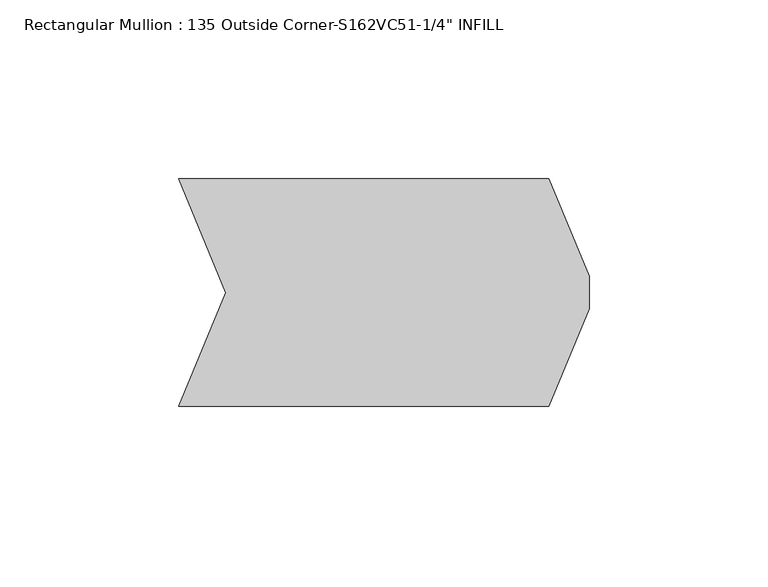
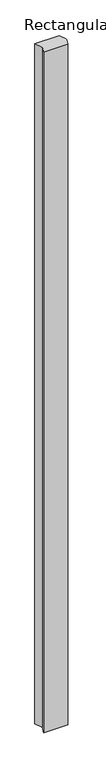
"""IFC4 building model written with IfcOpenShell, lengths in millimetres: member geometry."""

from ifc_helpers import new_model, si_unit, frame, origin, place, context, project, spatial, polyline, outline, extrude, source, transform, mapped, element, save


def member_86de6b16(model_context):
    return source(origin(), model_context, "Body", "SweptSolid", [
        extrude(outline(polyline([(-198.3656202, -31.75), (-185.2143396, 0.0), (-198.3656202, 31.75), (-94.9928355, 31.75), (-83.7353393, 4.572), (-83.7353393, -4.572), (-94.9928355, -31.75), (-198.3656202, -31.75)])), frame((0.0, 0.0, -3048.0), z_axis=(0.0, 0.0, 1.0), x_axis=(1.0, 0.0, 0.0)), (0.0, 0.0, 1.0), 3048.0),
    ])


if __name__ == "__main__":
    model = new_model("IFC4")
    model_context = context("Model", 3, world=origin())
    ifc_project = project(units=[si_unit("LENGTHUNIT", "METRE", prefix="MILLI")], contexts=[model_context])
    site = spatial("IfcSite", under=ifc_project)
    building = spatial("IfcBuilding", under=site)
    placement = place(None, origin())
    member_shape = member_86de6b16(model_context)
    element("IfcMember", 1, ObjectType="Rectangular Mullion : 135 Outside Corner-S162VC51-1/4\" INFILL", at=placement, inside=building, context=model_context, shape_type="MappedRepresentation", body=[
        mapped(member_shape, transform((0.0, 0.0, 0.0), x_axis=(1.0, 0.0, 0.0), y_axis=(0.0, 1.0, 0.0), z_axis=(0.0, 0.0, 1.0))),
    ])
    save(model, "model.ifc")
